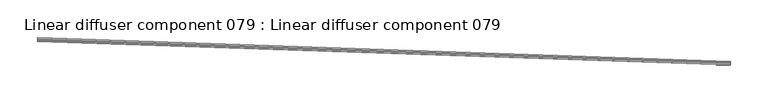
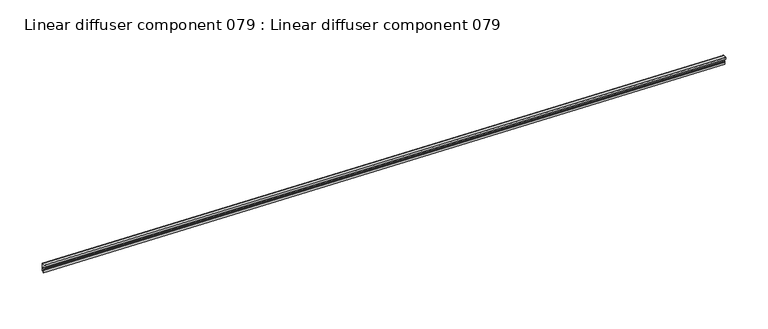
"""IFC4 building model written with IfcOpenShell, lengths in millimetres: proxy geometry, Linear diffuser component 079 : Linear diffuser component 079."""

from ifc_helpers import new_model, si_unit, origin, place, context, project, spatial, triangles, source, transform, mapped, element, save


def linear_diffuser_component_079_linear_diffuser_component_079_0aee152c(model_context):
    return source(origin(), model_context, "Body", "Tessellation", [
        triangles([(34303.9293823, -16950.3839722, 3052.9982323), (33390.0642334, -16919.109137, 3052.9982323), (33390.0735352, -16918.8812439, 3052.6799377), (34303.9386841, -16950.1549164, 3052.6799377), (33390.0595825, -16919.2695923, 3052.6799377), (34303.9247314, -16950.5444275, 3052.6799377), (33390.0595825, -16919.2695923, 3049.325782), (34303.9247314, -16950.5444275, 3049.325782), (34303.9386841, -16950.1525909, 3048.9377243), (33390.0735352, -16918.8789185, 3048.9377243), (33390.1084167, -16917.8545624, 3048.9377243), (34303.9735657, -16949.1293976, 3048.9377243), (33390.1084167, -16917.8545624, 3049.7164558), (34303.9735657, -16949.1293976, 3049.7164558), (33390.1619019, -16916.2616364, 3049.7164558), (34304.0270508, -16947.5364716, 3049.7164558), (33390.1619019, -16916.2616364, 3059.7356117), (34304.0270508, -16947.5364716, 3059.7356117), (34304.0317017, -16947.4201996, 3059.7356117), (33390.1665527, -16916.1453644, 3059.7356117), (33390.1665527, -16916.1453644, 3060.5111458), (34304.0317017, -16947.4201996, 3060.5111458), (33390.0060974, -16920.8171722, 3060.5111458), (34303.8712463, -16952.0908447, 3060.5111458), (33390.0060974, -16920.8171722, 3060.1230881), (34303.8712463, -16952.0908447, 3060.1230881), (33389.9944702, -16921.2043579, 3060.1230881), (34303.8596191, -16952.4780304, 3060.1230881), (33389.9944702, -16921.2043579, 3058.14879), (34303.8596191, -16952.4780304, 3058.14879), (34303.8735718, -16952.0710785, 3057.8307861), (33390.0084229, -16920.7962433, 3057.8307861), (33390.0758606, -16918.78125, 3056.9985695), (34303.9410095, -16950.0549225, 3056.9985695), (33390.1037659, -16918.0115295, 3055.1364738), (34303.9689148, -16949.2863647, 3055.1364738), (33390.0921387, -16918.3022095, 3053.934803), (34303.9572876, -16949.575882, 3053.934803)], [[4, 1, 3], [2, 3, 1], [6, 4, 3], [3, 5, 6], [8, 6, 5], [5, 7, 8], [12, 9, 11], [10, 11, 9], [14, 12, 11], [11, 13, 14], [16, 14, 13], [13, 15, 16], [18, 16, 17], [15, 17, 16], [22, 19, 20], [20, 21, 22], [24, 22, 23], [21, 23, 22], [26, 24, 25], [23, 25, 24], [28, 26, 27], [25, 27, 26], [30, 28, 29], [27, 29, 28], [34, 31, 33], [32, 33, 31], [36, 34, 33], [33, 35, 36], [38, 36, 37], [35, 37, 36], [1, 38, 37], [37, 2, 1]], closed=False),
    ])


if __name__ == "__main__":
    model = new_model("IFC4")
    model_context = context("Model", 3, world=origin())
    ifc_project = project(units=[si_unit("LENGTHUNIT", "METRE", prefix="MILLI")], contexts=[model_context])
    site = spatial("IfcSite", under=ifc_project)
    building = spatial("IfcBuilding", under=site)
    placement = place(None, origin())
    linear_diffuser_component_079_linear_diffuser_component_079_shape = linear_diffuser_component_079_linear_diffuser_component_079_0aee152c(model_context)
    element("IfcBuildingElementProxy", 1, Name="Linear diffuser component 079 : Linear diffuser component 079", ObjectType="Linear diffuser component 079 : Linear diffuser component 079", at=placement, inside=building, context=model_context, shape_type="MappedRepresentation", body=[
        mapped(linear_diffuser_component_079_linear_diffuser_component_079_shape, transform((0.0, 0.0, 0.0), x_axis=(1.0, 0.0, 0.0), y_axis=(0.0, 1.0, 0.0), z_axis=(0.0, 0.0, 1.0))),
    ])
    save(model, "model.ifc")
